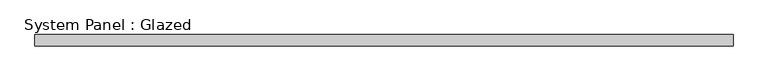
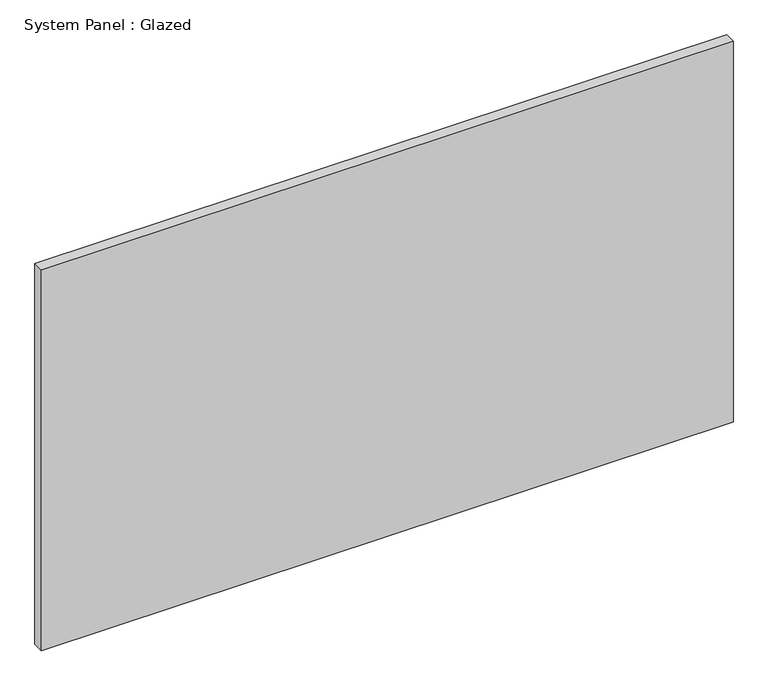
"""IFC4 building model written with IfcOpenShell, lengths in millimetres: plate geometry, System Panel : Glazed."""

from ifc_helpers import new_model, si_unit, origin, origin_with_axes, place, context, project, spatial, polyline, outline, extrude, source, transform, mapped, element, save


def system_panel_glazed_e23cd743(model_context):
    return source(origin(), model_context, "Body", "SweptSolid", [
        extrude(outline(polyline([(785.5763619, 19.05), (-785.5763619, 19.05), (-785.5763619, 44.45), (785.5763619, 44.45), (785.5763619, 19.05)])), origin_with_axes(), (0.0, 0.0, 1.0), 914.4),
    ])


if __name__ == "__main__":
    model = new_model("IFC4")
    model_context = context("Model", 3, world=origin())
    ifc_project = project(units=[si_unit("LENGTHUNIT", "METRE", prefix="MILLI")], contexts=[model_context])
    site = spatial("IfcSite", under=ifc_project)
    building = spatial("IfcBuilding", under=site)
    placement = place(None, origin())
    system_panel_glazed_shape = system_panel_glazed_e23cd743(model_context)
    element("IfcPlate", 1, ObjectType="System Panel : Glazed", at=placement, inside=building, context=model_context, shape_type="MappedRepresentation", body=[
        mapped(system_panel_glazed_shape, transform((0.0, 0.0, 0.0), x_axis=(1.0, 0.0, 0.0), y_axis=(0.0, 1.0, 0.0), z_axis=(0.0, 0.0, 1.0))),
    ])
    save(model, "model.ifc")
